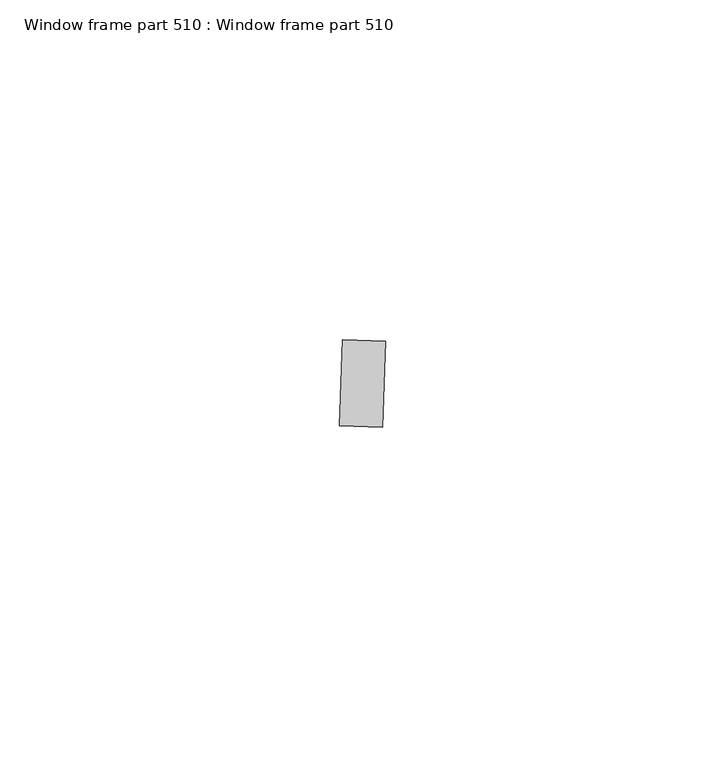
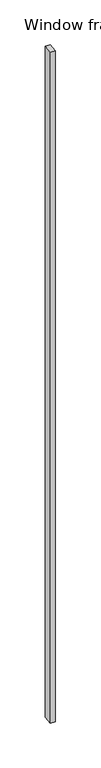
"""IFC4 building model written with IfcOpenShell, lengths in millimetres: proxy geometry, Window frame part 510 : Window frame part 510."""

import ifcopenshell
import ifcopenshell.guid

model = None  # the IFC model being written
_history = None  # IfcOwnerHistory: only IFC2X3 demands one
_inside = {}  # id of a spatial element -> (the spatial element, [elements in it])
_under = {}  # id of a project, library or spatial element -> (it, [spatial elements below it])
_declared = {}  # id of a project -> (the project, [libraries it declares])
_typed = {}  # id of a type object -> (the type object, [elements of that type])
_made_of = {}  # id of a material, layer set ... -> (it, [elements and type objects made of it])


def new_model(schema):
    """Start an empty IFC model of exactly this schema.

    Asked for "IFC4X3", IfcOpenShell would pick the latest addendum, in which some entities
    have other attributes; the version numbers below select the first issue.
    IFC2X3 requires an IfcOwnerHistory on every rooted entity: one is made here for all.
    """
    global model, _history
    if schema == "IFC4X3":
        model = ifcopenshell.file(schema_version=(4, 3, 0, 0))
    else:
        model = ifcopenshell.file(schema=schema)
    _inside.clear()
    _under.clear()
    _declared.clear()
    _typed.clear()
    _made_of.clear()
    _history = None
    if model.schema == "IFC2X3":
        org = make("IfcOrganization", Name="unknown")
        user = make(
            "IfcPersonAndOrganization",
            ThePerson=make("IfcPerson", FamilyName="unknown"),
            TheOrganization=org,
        )
        app = make(
            "IfcApplication",
            ApplicationDeveloper=org,
            Version="unknown",
            ApplicationFullName="unknown",
            ApplicationIdentifier="unknown",
        )
        _history = make(
            "IfcOwnerHistory",
            OwningUser=user,
            OwningApplication=app,
            ChangeAction="ADDED",
            CreationDate=0,
        )
    return model


def make(cls, **values):
    """One entity of the class cls with the attributes given. An attribute that is None is left unset."""
    return model.create_entity(
        cls, **{name: value for name, value in values.items() if value is not None}
    )


def rooted(cls, **values):
    """An entity with a GlobalId (a new one), such as an element, a storey or a relation."""
    return make(cls, GlobalId=ifcopenshell.guid.new(), OwnerHistory=_history, **values)


def si_unit(unit_type, name, prefix=None):
    """IfcSIUnit, for example si_unit("LENGTHUNIT", "METRE", prefix="MILLI")."""
    return make("IfcSIUnit", UnitType=unit_type, Prefix=prefix, Name=name)


def assignment(units):
    """IfcUnitAssignment: the units of a project."""
    return None if units is None else make("IfcUnitAssignment", Units=units)


def point(xyz):
    """IfcCartesianPoint."""
    return None if xyz is None else make("IfcCartesianPoint", Coordinates=xyz)


def direction(xyz):
    """IfcDirection."""
    return None if xyz is None else make("IfcDirection", DirectionRatios=xyz)


def frame(location, z_axis=None, x_axis=None):
    """IfcAxis2Placement3D, a coordinate frame: its origin and axes. An axis left out is left unset."""
    return make(
        "IfcAxis2Placement3D",
        Location=point(location),
        Axis=direction(z_axis),
        RefDirection=direction(x_axis),
    )


def origin():
    """The frame at (0, 0, 0) with its axes left unset."""
    return frame((0.0, 0.0, 0.0))


def place(relative_to, where):
    """IfcLocalPlacement: puts the frame where relative to a parent placement (None: the world)."""
    return make(
        "IfcLocalPlacement", PlacementRelTo=relative_to, RelativePlacement=where
    )


def context(
    kind, dimensions, precision=None, world=None, true_north=None, identifier=None
):
    """IfcGeometricRepresentationContext, for example the 3D "Model" context."""
    return make(
        "IfcGeometricRepresentationContext",
        ContextIdentifier=identifier,
        ContextType=kind,
        CoordinateSpaceDimension=dimensions,
        Precision=precision,
        WorldCoordinateSystem=world,
        TrueNorth=true_north,
    )


def project(units=None, contexts=None):
    """IfcProject with its units and contexts."""
    return rooted(
        "IfcProject",
        Name="project",
        RepresentationContexts=contexts,
        UnitsInContext=assignment(units),
    )


def spatial(cls, under=None, at=None, **own):
    """A site, building, storey or space (cls), placed at a placement, below another one or the project."""
    s = rooted(cls, ObjectPlacement=at, **own)
    if under is not None:
        _under.setdefault(under.id(), (under, []))[1].append(s)
    return s


def polyline(points):
    """IfcPolyline through the points."""
    return make("IfcPolyline", Points=[point(p) for p in points])


def outline(outer, holes=None, kind="AREA"):
    """IfcArbitraryClosedProfileDef: a profile drawn as a closed curve; with holes, ...WithVoids."""
    if holes is None:
        return make("IfcArbitraryClosedProfileDef", ProfileType=kind, OuterCurve=outer)
    return make(
        "IfcArbitraryProfileDefWithVoids",
        ProfileType=kind,
        OuterCurve=outer,
        InnerCurves=holes,
    )


def extrude(swept, where, along, depth):
    """IfcExtrudedAreaSolid: the profile swept, set in the frame where, extruded along a direction by depth."""
    return make(
        "IfcExtrudedAreaSolid",
        SweptArea=swept,
        Position=where,
        ExtrudedDirection=direction(along),
        Depth=depth,
    )


def shape(context_of_items, identifier, shape_type, items):
    """IfcShapeRepresentation: the items that make up one representation, for example the "Body"."""
    return make(
        "IfcShapeRepresentation",
        ContextOfItems=context_of_items,
        RepresentationIdentifier=identifier,
        RepresentationType=shape_type,
        Items=items,
    )


def source(mapping_origin, context_of_items, identifier, shape_type, items):
    """IfcRepresentationMap: a shape defined once, which mapped items show again and again."""
    return make(
        "IfcRepresentationMap",
        MappingOrigin=mapping_origin,
        MappedRepresentation=shape(context_of_items, identifier, shape_type, items),
    )


def transform(
    local_origin,
    x_axis=None,
    y_axis=None,
    z_axis=None,
    scale=None,
    scale2=None,
    scale3=None,
    uniform=True,
):
    """IfcCartesianTransformationOperator3D, or its non-uniform kind. x_axis, y_axis, z_axis: its Axis1, 2, 3."""
    if uniform:
        return make(
            "IfcCartesianTransformationOperator3D",
            Axis1=direction(x_axis),
            Axis2=direction(y_axis),
            LocalOrigin=point(local_origin),
            Scale=scale,
            Axis3=direction(z_axis),
        )
    return make(
        "IfcCartesianTransformationOperator3DnonUniform",
        Axis1=direction(x_axis),
        Axis2=direction(y_axis),
        LocalOrigin=point(local_origin),
        Scale=scale,
        Axis3=direction(z_axis),
        Scale2=scale2,
        Scale3=scale3,
    )


def mapped(mapping_source, mapping_target):
    """IfcMappedItem: shows the shape of a source again, moved by a transform."""
    return make(
        "IfcMappedItem", MappingSource=mapping_source, MappingTarget=mapping_target
    )


def made_of(thing, what):
    """Note that an element or type object is made of a material, layer set ...; save() writes the relation."""
    if what is not None:
        _made_of.setdefault(what.id(), (what, []))[1].append(thing)
    return thing


def element(
    cls,
    number,
    at=None,
    inside=None,
    cuts=None,
    type_object=None,
    material=None,
    context=None,
    identifier="Body",
    shape_type=None,
    held_by="IfcProductDefinitionShape",
    body=None,
    shapes=None,
    **own,
):
    """One element of the class cls, such as IfcWall. Its Tag is "e" and its number.

    at: its placement. inside: the storey or other place that contains it. cuts: it is an
    opening in that element (IfcRelVoidsElement). A single representation is given by context,
    identifier, shape_type and body (its items); several are given by shapes. held_by: the class
    of the entity that holds the representations. save() writes the other relations.
    """
    e = rooted(cls, Tag="e%d" % number, ObjectPlacement=at, **own)
    if body is not None:
        shapes = [shape(context, identifier, shape_type, body)]
    if shapes is not None:
        e.Representation = make(held_by, Representations=shapes)
    if inside is not None:
        _inside.setdefault(inside.id(), (inside, []))[1].append(e)
    if cuts is not None:
        rooted(
            "IfcRelVoidsElement", RelatingBuildingElement=cuts, RelatedOpeningElement=e
        )
    if type_object is not None:
        _typed.setdefault(type_object.id(), (type_object, []))[1].append(e)
    return made_of(e, material)


def aggregate(whole, parts):
    """IfcRelAggregates: a whole, such as a stair, and the parts it consists of."""
    return rooted("IfcRelAggregates", RelatingObject=whole, RelatedObjects=parts)


def save(model, path):
    """Write the relations noted so far, then the file.

    IfcRelAggregates (storeys below a building ...), IfcRelContainedInSpatialStructure (elements
    in a storey), IfcRelDefinesByType, IfcRelAssociatesMaterial and IfcRelDeclares: one each for
    every whole, place, type object, material and project.
    """
    for whole, parts in _under.values():
        aggregate(whole, parts)
    for where, things in _inside.values():
        rooted(
            "IfcRelContainedInSpatialStructure",
            RelatedElements=things,
            RelatingStructure=where,
        )
    for kind, things in _typed.values():
        rooted("IfcRelDefinesByType", RelatedObjects=things, RelatingType=kind)
    for what, things in _made_of.values():
        rooted("IfcRelAssociatesMaterial", RelatedObjects=things, RelatingMaterial=what)
    for by, libraries in _declared.values():
        rooted("IfcRelDeclares", RelatingContext=by, RelatedDefinitions=libraries)
    model.write(path)


def window_frame_part_510_window_frame_part_510_a20607d3(model_context):
    return source(origin(), model_context, "Body", "SweptSolid", [
        extrude(outline(polyline([(34514.8286093, -15491.8937224), (34515.2746638, -15479.2015581), (34521.620746, -15479.4245853), (34521.1746915, -15492.1167497), (34514.8286093, -15491.8937224)])), frame((0.0, 0.0, 1597.975708), z_axis=(0.0, 0.0, 1.0), x_axis=(1.0, 0.0, 0.0)), (0.0, 0.0, 1.0), 914.4),
    ])


if __name__ == "__main__":
    model = new_model("IFC4")
    model_context = context("Model", 3, world=origin())
    ifc_project = project(units=[si_unit("LENGTHUNIT", "METRE", prefix="MILLI")], contexts=[model_context])
    site = spatial("IfcSite", under=ifc_project)
    building = spatial("IfcBuilding", under=site)
    placement = place(None, origin())
    window_frame_part_510_window_frame_part_510_shape = window_frame_part_510_window_frame_part_510_a20607d3(model_context)
    element("IfcBuildingElementProxy", 1, Name="Window frame part 510 : Window frame part 510", ObjectType="Window frame part 510 : Window frame part 510", at=placement, inside=building, context=model_context, shape_type="MappedRepresentation", body=[
        mapped(window_frame_part_510_window_frame_part_510_shape, transform((0.0, 0.0, 0.0), x_axis=(1.0, 0.0, 0.0), y_axis=(0.0, 1.0, 0.0), z_axis=(0.0, 0.0, 1.0))),
    ])
    save(model, "model.ifc")
